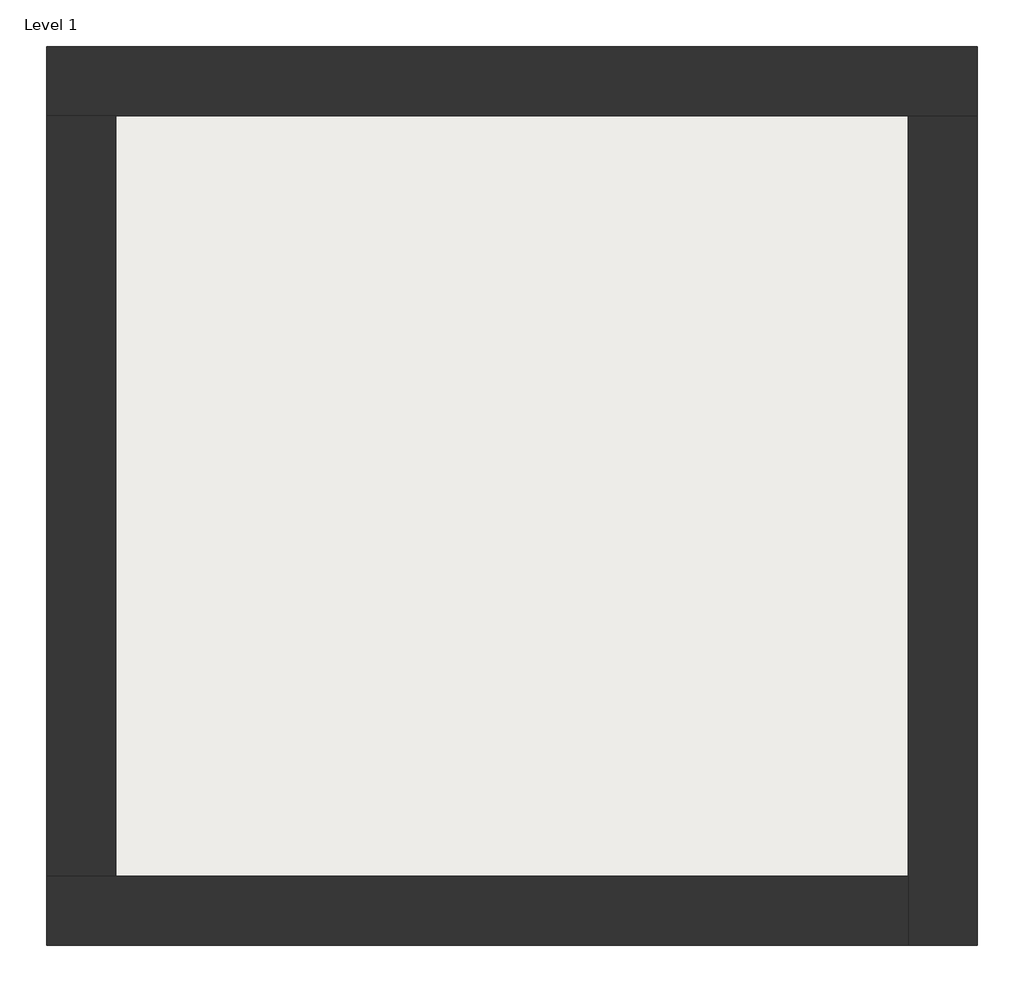
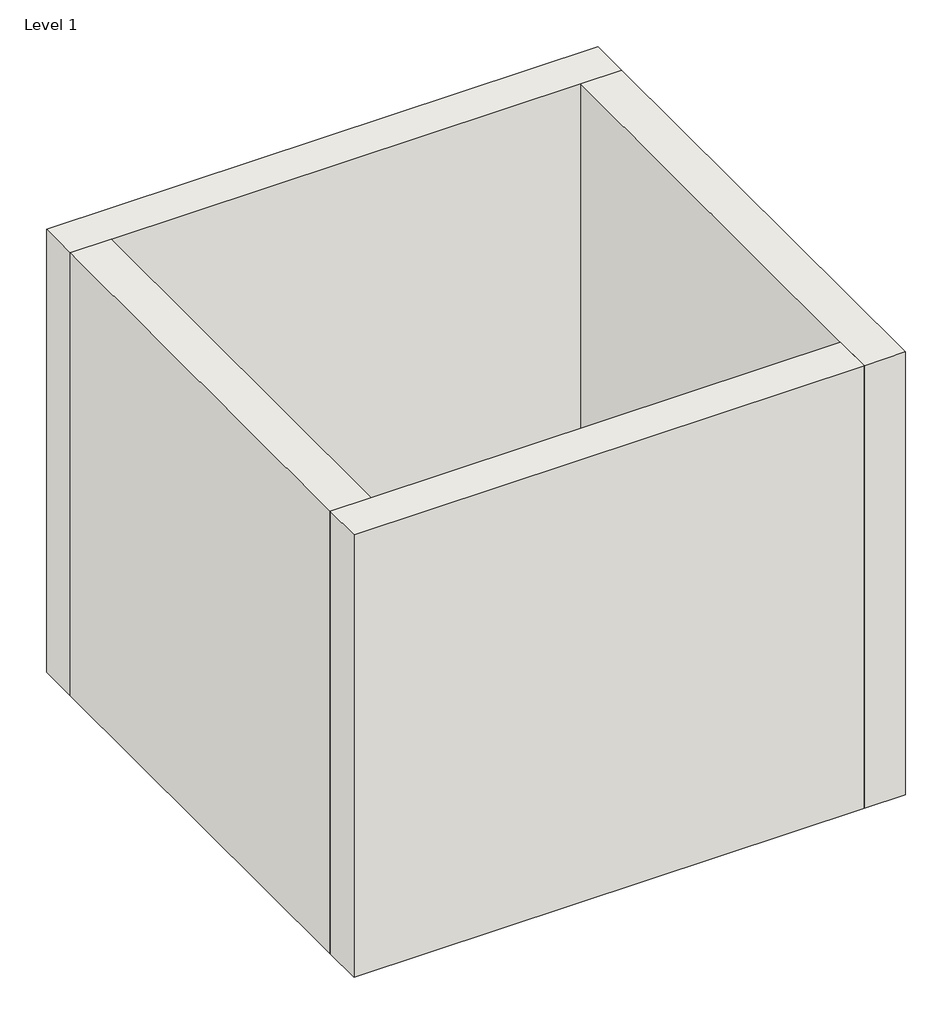
# One storey: 4 walls, 1 slab.
"""IFC4 building model written with IfcOpenShell, lengths in millimetres."""

from ifc_helpers import new_model, si_unit, frame, origin, origin_with_axes, place, context, project, spatial, polyline, outline, extrude, faceted_brep, element, save

model = new_model("IFC4")

# Units and contexts
model_context = context("Model", 3, world=origin())
ifc_project = project(units=[si_unit("LENGTHUNIT", "METRE", prefix="MILLI")], contexts=[model_context])

# Site, building, storey
site = spatial("IfcSite", under=ifc_project)
building = spatial("IfcBuilding", under=site)
storey = spatial("IfcBuildingStorey", under=building, Name="Level 1", Elevation=0.0)

# Slab
placement = place(None, origin())
element("IfcSlab", 1, at=placement, inside=storey, context=model_context, shape_type="SweptSolid", body=[
    extrude(outline(polyline([(-10869.3573003, 6934.2750283), (-10869.3573003, 3058.2750283), (-14907.8573003, 3058.2750283), (-14907.8573003, 6934.2750283), (-10869.3573003, 6934.2750283)])), frame((0.0, 0.0, 12.8), z_axis=(0.0, 0.0, 1.0), x_axis=(1.0, 0.0, 0.0)), (0.0, 0.0, 1.0), 107.2),
])

# Walls
element("IfcWall", 2, ObjectType="Exterior - Brick on Mtl. Stud", at=placement, inside=storey, context=model_context, shape_type="Brep", body=[
    faceted_brep([(-15244.8573003, 6921.2750283, 0.0), (-14894.8573003, 6921.2750283, 0.0), (-10882.3573003, 6921.2750283, 0.0), (-10532.3573003, 6921.2750283, 0.0), (-10532.3573003, 6921.2750283, 4000.0), (-10882.3573003, 6921.2750283, 4000.0), (-14894.8573003, 6921.2750283, 4000.0), (-15244.8573003, 6921.2750283, 4000.0), (-15244.8573003, 7271.2750283, 0.0), (-15244.8573003, 7271.2750283, 4000.0), (-10532.3573003, 7271.2750283, 4000.0), (-10532.3573003, 7271.2750283, 0.0)], [[[0, 1, 2, 3, 4, 5, 6, 7]], [[8, 9, 10, 11]], [[3, 2, 1, 0, 8, 11]], [[7, 6, 5, 4, 10, 9]], [[0, 7, 9, 8]], [[4, 3, 11, 10]]]),
])
element("IfcWall", 3, ObjectType="Exterior - Brick on Mtl. Stud", at=placement, inside=storey, context=model_context, shape_type="Brep", body=[
    faceted_brep([(-10882.3573003, 6921.2750283, 0.0), (-10882.3573003, 3071.2750283, 0.0), (-10882.3573003, 2721.2750283, 0.0), (-10882.3573003, 2721.2750283, 4000.0), (-10882.3573003, 3071.2750283, 4000.0), (-10882.3573003, 6921.2750283, 4000.0), (-10532.3573003, 6921.2750283, 0.0), (-10532.3573003, 6921.2750283, 4000.0), (-10532.3573003, 2721.2750283, 4000.0), (-10532.3573003, 2721.2750283, 0.0)], [[[0, 1, 2, 3, 4, 5]], [[6, 7, 8, 9]], [[2, 1, 0, 6, 9]], [[5, 4, 3, 8, 7]], [[3, 2, 9, 8]], [[0, 5, 7, 6]]]),
])
element("IfcWall", 4, ObjectType="Exterior - Brick on Mtl. Stud", at=placement, inside=storey, context=model_context, shape_type="Brep", body=[
    faceted_brep([(-10882.3573003, 3071.2750283, 0.0), (-14894.8573003, 3071.2750283, 0.0), (-15244.8573003, 3071.2750283, 0.0), (-15244.8573003, 3071.2750283, 4000.0), (-14894.8573003, 3071.2750283, 4000.0), (-10882.3573003, 3071.2750283, 4000.0), (-10882.3573003, 2721.2750283, 0.0), (-10882.3573003, 2721.2750283, 4000.0), (-15244.8573003, 2721.2750283, 4000.0), (-15244.8573003, 2721.2750283, 0.0)], [[[0, 1, 2, 3, 4, 5]], [[6, 7, 8, 9]], [[2, 1, 0, 6, 9]], [[5, 4, 3, 8, 7]], [[3, 2, 9, 8]], [[0, 5, 7, 6]]]),
])
element("IfcWall", 5, ObjectType="Exterior - Brick on Mtl. Stud", at=placement, inside=storey, context=model_context, shape_type="SweptSolid", body=[
    extrude(outline(polyline([(-14894.8573003, 6921.2750283), (-14894.8573003, 3071.2750283), (-15244.8573003, 3071.2750283), (-15244.8573003, 6921.2750283), (-14894.8573003, 6921.2750283)])), origin_with_axes(), (0.0, 0.0, 1.0), 4000.0),
])

save(model, "model.ifc")
